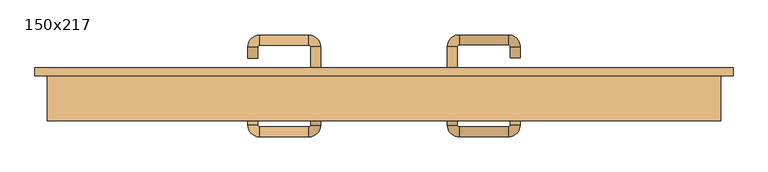
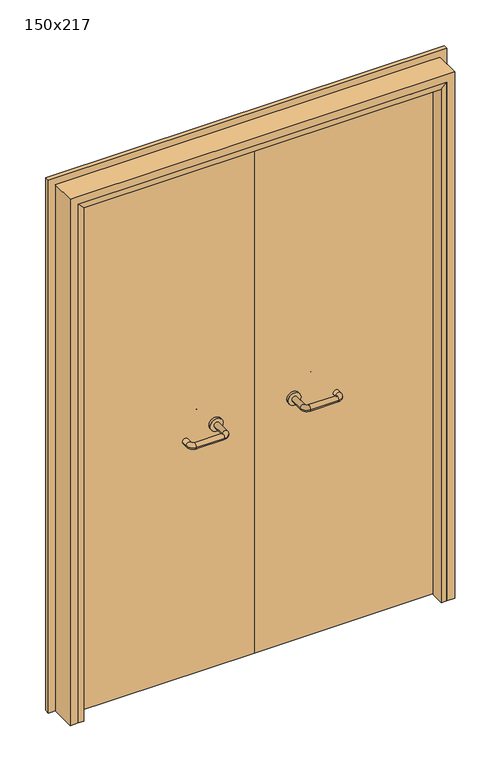
"""IFC4 building model written with IfcOpenShell, lengths in millimetres: door geometry, 150x217."""

from ifc_helpers import new_model, si_unit, point, frame, frame_2d, origin, place, context, project, spatial, polyline, circle_curve, ellipse_curve, trimmed, segment, composite_curve, outline, extrude, faceted_brep, source, transform, mapped, element, save
from ifc_brep_helpers import plane_surface, cylinder_surface, revolved_surface, advanced_brep


def door_150x217_e92d5b13(model_context):
    return source(origin(), model_context, "Body", "SolidModel", [
        faceted_brep([(-697.0, 103.0, 0.0), (-697.0, 50.0, 0.0), (-718.0, 50.0, 0.0), (-718.0, 103.0, 0.0), (-697.0, 103.0, 2117.0), (-697.0, 50.0, 2117.0), (-718.0, 50.0, 2138.0), (-718.0, 103.0, 2138.0), (697.0, 103.0, 0.0), (718.0, 103.0, 0.0), (718.0, 50.0, 0.0), (697.0, 50.0, 0.0), (697.0, 103.0, 2117.0), (718.0, 103.0, 2138.0), (718.0, 50.0, 2138.0), (697.0, 50.0, 2117.0)], [[[0, 1, 2, 3]], [[1, 0, 4, 5]], [[2, 1, 5, 6]], [[3, 2, 6, 7]], [[0, 3, 7, 4]], [[8, 9, 10, 11]], [[12, 13, 9, 8]], [[13, 14, 10, 9]], [[14, 15, 11, 10]], [[15, 12, 8, 11]], [[5, 4, 12, 15]], [[6, 5, 15, 14]], [[7, 6, 14, 13]], [[4, 7, 13, 12]]]),
        extrude(outline(polyline([(2197.0, 777.0), (2197.0, -777.0), (0.0, -777.0), (0.0, -733.0), (2153.0, -733.0), (2153.0, 733.0), (0.0, 733.0), (0.0, 777.0), (2197.0, 777.0)])), frame((0.0, 150.0, 0.0), z_axis=(0.0, 1.0, 0.0), x_axis=(0.0, 0.0, 1.0)), (0.0, 0.0, 1.0), 18.0),
        extrude(outline(polyline([(2170.0, -750.0), (0.0, -750.0), (0.0, -718.0), (2138.0, -718.0), (2138.0, 718.0), (0.0, 718.0), (0.0, 750.0), (2170.0, 750.0), (2170.0, -750.0)])), frame((0.0, 50.0, 0.0), z_axis=(0.0, 1.0, 0.0), x_axis=(0.0, 0.0, 1.0)), (0.0, 0.0, 1.0), 100.0),
        advanced_brep(
        [(140.99898, 96.0, 1003.0), (162.99898, 96.0, 1003.0), (140.99898, 40.6474631, 1003.0), (162.99898, 40.6474631, 1003.0), (166.99898, 36.6474631, 1003.0), (166.99898, 14.6474631, 1003.0), (276.99898, 14.6474631, 1003.0), (276.99898, 36.6474631, 1003.0), (280.99898, 40.6474631, 1003.0), (302.99898, 40.6474631, 1003.0), (302.99898, 58.0, 1003.0), (280.99898, 58.0, 1003.0)],
        [
            (0, 1, circle_curve(frame((151.99898, 96.0, 1003.0), z_axis=(0.0, 1.0, 0.0), x_axis=(1.0, 0.0, 0.0)), 11.0)),
            (1, 0, circle_curve(frame((151.99898, 96.0, 1003.0), z_axis=(0.0, 1.0, 0.0), x_axis=(1.0, 0.0, 0.0)), 11.0)),
            (0, 2),
            (2, 3, circle_curve(frame((151.99898, 40.6474631, 1003.0), z_axis=(0.0, 1.0, 0.0), x_axis=(1.0, 0.0, 0.0)), 11.0)),
            (3, 1),
            (3, 2, circle_curve(frame((151.99898, 40.6474631, 1003.0), z_axis=(0.0, 1.0, 0.0), x_axis=(1.0, 0.0, 0.0)), 11.0)),
            (4, 3, circle_curve(frame((166.99898, 40.6474631, 1003.0), z_axis=(0.0, 0.0, -1.0), x_axis=(-1.0, 0.0, 0.0)), 4.0)),
            (2, 5, circle_curve(frame((166.99898, 40.6474631, 1003.0), z_axis=(0.0, 0.0, 1.0), x_axis=(-1.0, 0.0, 0.0)), 26.0)),
            (5, 4, circle_curve(frame((166.99898, 25.6474631, 1003.0), z_axis=(-1.0, 0.0, 0.0), x_axis=(0.0, 1.0, 0.0)), 11.0)),
            (4, 5, circle_curve(frame((166.99898, 25.6474631, 1003.0), z_axis=(-1.0, 0.0, 0.0), x_axis=(0.0, 1.0, 0.0)), 11.0)),
            (5, 6),
            (6, 7, circle_curve(frame((276.99898, 25.6474631, 1003.0), z_axis=(-1.0, 0.0, 0.0), x_axis=(0.0, 1.0, 0.0)), 11.0)),
            (7, 4),
            (7, 6, circle_curve(frame((276.99898, 25.6474631, 1003.0), z_axis=(-1.0, 0.0, 0.0), x_axis=(0.0, 1.0, 0.0)), 11.0)),
            (8, 7, circle_curve(frame((276.99898, 40.6474631, 1003.0), z_axis=(0.0, 0.0, -1.0), x_axis=(0.0, -1.0, 0.0)), 4.0)),
            (6, 9, circle_curve(frame((276.99898, 40.6474631, 1003.0), z_axis=(0.0, 0.0, 1.0), x_axis=(0.0, -1.0, 0.0)), 26.0)),
            (9, 8, circle_curve(frame((291.99898, 40.6474631, 1003.0), z_axis=(0.0, -1.0, 0.0), x_axis=(-1.0, 0.0, 0.0)), 11.0)),
            (8, 9, circle_curve(frame((291.99898, 40.6474631, 1003.0), z_axis=(0.0, -1.0, 0.0), x_axis=(-1.0, 0.0, 0.0)), 11.0)),
            (10, 11, circle_curve(frame((291.99898, 58.0, 1003.0), z_axis=(0.0, 1.0, 0.0), x_axis=(-1.0, 0.0, 0.0)), 11.0)),
            (11, 10, circle_curve(frame((291.99898, 58.0, 1003.0), z_axis=(0.0, 1.0, 0.0), x_axis=(-1.0, 0.0, 0.0)), 11.0)),
            (9, 10),
            (11, 8),
        ],
        [
            plane_surface(frame((140.99898, 96.0, 1003.0), z_axis=(0.0, 1.0, 0.0), x_axis=(0.0, 0.0, -1.0))),
            cylinder_surface(frame((151.99898, 96.0, 1003.0), z_axis=(0.0, 1.0, 0.0), x_axis=(1.0, 0.0, 0.0)), 11.0),
            revolved_surface(trimmed(ellipse_curve(frame((151.99898, 40.6474631, 1003.0), z_axis=(0.0, 1.0, 0.0), x_axis=(1.0, 0.0, 0.0)), 11.0, 11.0), [point((140.99898, 40.6474631, 1003.0))], [point((162.99898, 40.6474631, 1003.0))], True, "CARTESIAN"), (166.99898, 40.6474631, 1003.0), (0.0, 0.0, 1.0)),
            revolved_surface(trimmed(ellipse_curve(frame((151.99898, 40.6474631, 1003.0), z_axis=(0.0, 1.0, 0.0), x_axis=(1.0, 0.0, 0.0)), 11.0, 11.0), [point((162.99898, 40.6474631, 1003.0))], [point((140.99898, 40.6474631, 1003.0))], True, "CARTESIAN"), (166.99898, 40.6474631, 1003.0), (0.0, 0.0, 1.0)),
            cylinder_surface(frame((166.99898, 25.6474631, 1003.0), z_axis=(-1.0, 0.0, 0.0), x_axis=(0.0, 1.0, 0.0)), 11.0),
            revolved_surface(trimmed(ellipse_curve(frame((276.99898, 25.6474631, 1003.0), z_axis=(-1.0, 0.0, 0.0), x_axis=(0.0, 1.0, 0.0)), 11.0, 11.0), [point((276.99898, 14.6474631, 1003.0))], [point((276.99898, 36.6474631, 1003.0))], True, "CARTESIAN"), (276.99898, 40.6474631, 1003.0), (0.0, 0.0, 1.0)),
            revolved_surface(trimmed(ellipse_curve(frame((276.99898, 25.6474631, 1003.0), z_axis=(-1.0, 0.0, 0.0), x_axis=(0.0, 1.0, 0.0)), 11.0, 11.0), [point((276.99898, 36.6474631, 1003.0))], [point((276.99898, 14.6474631, 1003.0))], True, "CARTESIAN"), (276.99898, 40.6474631, 1003.0), (0.0, 0.0, 1.0)),
            plane_surface(frame((280.99898, 58.0, 1003.0), z_axis=(0.0, 1.0, 0.0), x_axis=(0.0, 0.0, 1.0))),
            cylinder_surface(frame((291.99898, 40.6474631, 1003.0), z_axis=(0.0, -1.0, 0.0), x_axis=(-1.0, 0.0, 0.0)), 11.0),
        ],
        [
            (0, [[1, 2]]),
            (1, [[-1, 3, 4, 5]]),
            (1, [[-2, -5, 6, -3]]),
            (2, [[7, -4, 8, 9]]),
            (3, [[-8, -6, -7, 10]]),
            (4, [[-9, 11, 12, 13]]),
            (4, [[-10, -13, 14, -11]]),
            (5, [[15, -12, 16, 17]]),
            (6, [[-16, -14, -15, 18]]),
            (7, [[19, 20]]),
            (8, [[-17, 21, -20, 22]]),
            (8, [[-18, -22, -19, -21]]),
        ],
    ),
        extrude(outline(composite_curve([segment(trimmed(circle_curve(frame_2d((1003.0, 151.99898)), 25.0), [point((1003.0, 126.99898))], [point((1003.0, 176.99898))], False, "CARTESIAN"), True, "CONTINUOUS"), segment(trimmed(circle_curve(frame_2d((1003.0, 151.99898)), 25.0), [point((1003.0, 176.99898))], [point((1003.0, 126.99898))], False, "CARTESIAN"), True, "CONTINUOUS")], self_intersect=False)), frame((0.0, 96.0, 0.0), z_axis=(0.0, 1.0, 0.0), x_axis=(0.0, 0.0, 1.0)), (0.0, 0.0, 1.0), 10.0),
        advanced_brep(
        [(162.99898, 160.0, 1003.0), (140.99898, 160.0, 1003.0), (162.99898, 215.0, 1003.0), (140.99898, 215.0, 1003.0), (166.99898, 241.0, 1003.0), (166.99898, 219.0, 1003.0), (276.99898, 219.0, 1003.0), (276.99898, 241.0, 1003.0), (302.99898, 215.0, 1003.0), (280.99898, 215.0, 1003.0), (280.99898, 190.0, 1003.0), (302.99898, 190.0, 1003.0)],
        [
            (0, 1, circle_curve(frame((151.99898, 160.0, 1003.0), z_axis=(0.0, -1.0, 0.0), x_axis=(-1.0, 0.0, 0.0)), 11.0)),
            (1, 0, circle_curve(frame((151.99898, 160.0, 1003.0), z_axis=(0.0, -1.0, 0.0), x_axis=(-1.0, 0.0, 0.0)), 11.0)),
            (0, 2),
            (2, 3, circle_curve(frame((151.99898, 215.0, 1003.0), z_axis=(0.0, -1.0, 0.0), x_axis=(-1.0, 0.0, 0.0)), 11.0)),
            (3, 1),
            (3, 2, circle_curve(frame((151.99898, 215.0, 1003.0), z_axis=(0.0, -1.0, 0.0), x_axis=(-1.0, 0.0, 0.0)), 11.0)),
            (4, 3, circle_curve(frame((166.99898, 215.0, 1003.0), z_axis=(0.0, 0.0, 1.0), x_axis=(-1.0, 0.0, 0.0)), 26.0)),
            (2, 5, circle_curve(frame((166.99898, 215.0, 1003.0), z_axis=(0.0, 0.0, -1.0), x_axis=(-1.0, 0.0, 0.0)), 4.0)),
            (5, 4, circle_curve(frame((166.99898, 230.0, 1003.0), z_axis=(-1.0, 0.0, 0.0), x_axis=(0.0, 1.0, 0.0)), 11.0)),
            (4, 5, circle_curve(frame((166.99898, 230.0, 1003.0), z_axis=(-1.0, 0.0, 0.0), x_axis=(0.0, 1.0, 0.0)), 11.0)),
            (5, 6),
            (6, 7, circle_curve(frame((276.99898, 230.0, 1003.0), z_axis=(-1.0, 0.0, 0.0), x_axis=(0.0, 1.0, 0.0)), 11.0)),
            (7, 4),
            (7, 6, circle_curve(frame((276.99898, 230.0, 1003.0), z_axis=(-1.0, 0.0, 0.0), x_axis=(0.0, 1.0, 0.0)), 11.0)),
            (8, 7, circle_curve(frame((276.99898, 215.0, 1003.0), z_axis=(0.0, 0.0, 1.0), x_axis=(0.0, 1.0, 0.0)), 26.0)),
            (6, 9, circle_curve(frame((276.99898, 215.0, 1003.0), z_axis=(0.0, 0.0, -1.0), x_axis=(0.0, 1.0, 0.0)), 4.0)),
            (9, 8, circle_curve(frame((291.99898, 215.0, 1003.0), z_axis=(0.0, 1.0, 0.0), x_axis=(1.0, 0.0, 0.0)), 11.0)),
            (8, 9, circle_curve(frame((291.99898, 215.0, 1003.0), z_axis=(0.0, 1.0, 0.0), x_axis=(1.0, 0.0, 0.0)), 11.0)),
            (10, 11, circle_curve(frame((291.99898, 190.0, 1003.0), z_axis=(0.0, -1.0, 0.0), x_axis=(1.0, 0.0, 0.0)), 11.0)),
            (11, 10, circle_curve(frame((291.99898, 190.0, 1003.0), z_axis=(0.0, -1.0, 0.0), x_axis=(1.0, 0.0, 0.0)), 11.0)),
            (9, 10),
            (11, 8),
        ],
        [
            plane_surface(frame((140.99898, 160.0, 1003.0), z_axis=(0.0, -1.0, 0.0), x_axis=(0.0, 0.0, 1.0))),
            cylinder_surface(frame((151.99898, 160.0, 1003.0), z_axis=(0.0, -1.0, 0.0), x_axis=(-1.0, 0.0, 0.0)), 11.0),
            revolved_surface(trimmed(ellipse_curve(frame((151.99898, 215.0, 1003.0), z_axis=(0.0, -1.0, 0.0), x_axis=(-1.0, 0.0, 0.0)), 11.0, 11.0), [point((162.99898, 215.0, 1003.0))], [point((140.99898, 215.0, 1003.0))], True, "CARTESIAN"), (166.99898, 215.0, 1003.0), (0.0, 0.0, -1.0)),
            revolved_surface(trimmed(ellipse_curve(frame((151.99898, 215.0, 1003.0), z_axis=(0.0, -1.0, 0.0), x_axis=(-1.0, 0.0, 0.0)), 11.0, 11.0), [point((140.99898, 215.0, 1003.0))], [point((162.99898, 215.0, 1003.0))], True, "CARTESIAN"), (166.99898, 215.0, 1003.0), (0.0, 0.0, -1.0)),
            cylinder_surface(frame((166.99898, 230.0, 1003.0), z_axis=(-1.0, 0.0, 0.0), x_axis=(0.0, 1.0, 0.0)), 11.0),
            revolved_surface(trimmed(ellipse_curve(frame((276.99898, 230.0, 1003.0), z_axis=(-1.0, 0.0, 0.0), x_axis=(0.0, 1.0, 0.0)), 11.0, 11.0), [point((276.99898, 219.0, 1003.0))], [point((276.99898, 241.0, 1003.0))], True, "CARTESIAN"), (276.99898, 215.0, 1003.0), (0.0, 0.0, -1.0)),
            revolved_surface(trimmed(ellipse_curve(frame((276.99898, 230.0, 1003.0), z_axis=(-1.0, 0.0, 0.0), x_axis=(0.0, 1.0, 0.0)), 11.0, 11.0), [point((276.99898, 241.0, 1003.0))], [point((276.99898, 219.0, 1003.0))], True, "CARTESIAN"), (276.99898, 215.0, 1003.0), (0.0, 0.0, -1.0)),
            plane_surface(frame((280.99898, 190.0, 1003.0), z_axis=(0.0, -1.0, 0.0), x_axis=(0.0, 0.0, -1.0))),
            cylinder_surface(frame((291.99898, 215.0, 1003.0), z_axis=(0.0, 1.0, 0.0), x_axis=(1.0, 0.0, 0.0)), 11.0),
        ],
        [
            (0, [[1, 2]]),
            (1, [[-1, 3, 4, 5]]),
            (1, [[-2, -5, 6, -3]]),
            (2, [[7, -4, 8, 9]]),
            (3, [[-8, -6, -7, 10]]),
            (4, [[-9, 11, 12, 13]]),
            (4, [[-10, -13, 14, -11]]),
            (5, [[15, -12, 16, 17]]),
            (6, [[-16, -14, -15, 18]]),
            (7, [[19, 20]]),
            (8, [[-17, 21, -20, 22]]),
            (8, [[-18, -22, -19, -21]]),
        ],
    ),
        extrude(outline(composite_curve([segment(trimmed(circle_curve(frame_2d((1003.0, 151.99898)), 25.0), [point((1003.0, 176.99898))], [point((1003.0, 126.99898))], False, "CARTESIAN"), True, "CONTINUOUS"), segment(trimmed(circle_curve(frame_2d((1003.0, 151.99898)), 25.0), [point((1003.0, 126.99898))], [point((1003.0, 176.99898))], False, "CARTESIAN"), True, "CONTINUOUS")], self_intersect=False)), frame((0.0, 150.0, 0.0), z_axis=(0.0, 1.0, 0.0), x_axis=(0.0, 0.0, 1.0)), (0.0, 0.0, 1.0), 10.0),
        advanced_brep(
        [(-162.99898, 95.6886121, 1003.0), (-140.99898, 95.6886121, 1003.0), (-162.99898, 40.2779553, 1003.0), (-140.99898, 40.2779553, 1003.0), (-166.99898, 14.2779553, 1003.0), (-166.99898, 36.2779553, 1003.0), (-276.99898, 36.2779553, 1003.0), (-276.99898, 14.2779553, 1003.0), (-302.99898, 40.2779553, 1003.0), (-280.99898, 40.2779553, 1003.0), (-280.99898, 65.2779553, 1003.0), (-302.99898, 65.2779553, 1003.0)],
        [
            (0, 1, circle_curve(frame((-151.99898, 95.6886121, 1003.0), z_axis=(0.0, 1.0, 0.0), x_axis=(1.0, 0.0, 0.0)), 11.0)),
            (1, 0, circle_curve(frame((-151.99898, 95.6886121, 1003.0), z_axis=(0.0, 1.0, 0.0), x_axis=(1.0, 0.0, 0.0)), 11.0)),
            (0, 2),
            (2, 3, circle_curve(frame((-151.99898, 40.2779553, 1003.0), z_axis=(0.0, 1.0, 0.0), x_axis=(1.0, 0.0, 0.0)), 11.0)),
            (3, 1),
            (3, 2, circle_curve(frame((-151.99898, 40.2779553, 1003.0), z_axis=(0.0, 1.0, 0.0), x_axis=(1.0, 0.0, 0.0)), 11.0)),
            (4, 3, circle_curve(frame((-166.99898, 40.2779553, 1003.0), z_axis=(0.0, 0.0, 1.0), x_axis=(1.0, 0.0, 0.0)), 26.0)),
            (2, 5, circle_curve(frame((-166.99898, 40.2779553, 1003.0), z_axis=(0.0, 0.0, -1.0), x_axis=(1.0, 0.0, 0.0)), 4.0)),
            (5, 4, circle_curve(frame((-166.99898, 25.2779553, 1003.0), z_axis=(1.0, 0.0, 0.0), x_axis=(0.0, -1.0, 0.0)), 11.0)),
            (4, 5, circle_curve(frame((-166.99898, 25.2779553, 1003.0), z_axis=(1.0, 0.0, 0.0), x_axis=(0.0, -1.0, 0.0)), 11.0)),
            (5, 6),
            (6, 7, circle_curve(frame((-276.99898, 25.2779553, 1003.0), z_axis=(1.0, 0.0, 0.0), x_axis=(0.0, -1.0, 0.0)), 11.0)),
            (7, 4),
            (7, 6, circle_curve(frame((-276.99898, 25.2779553, 1003.0), z_axis=(1.0, 0.0, 0.0), x_axis=(0.0, -1.0, 0.0)), 11.0)),
            (8, 7, circle_curve(frame((-276.99898, 40.2779553, 1003.0), z_axis=(0.0, 0.0, 1.0), x_axis=(0.0, -1.0, 0.0)), 26.0)),
            (6, 9, circle_curve(frame((-276.99898, 40.2779553, 1003.0), z_axis=(0.0, 0.0, -1.0), x_axis=(0.0, -1.0, 0.0)), 4.0)),
            (9, 8, circle_curve(frame((-291.99898, 40.2779553, 1003.0), z_axis=(0.0, -1.0, 0.0), x_axis=(-1.0, 0.0, 0.0)), 11.0)),
            (8, 9, circle_curve(frame((-291.99898, 40.2779553, 1003.0), z_axis=(0.0, -1.0, 0.0), x_axis=(-1.0, 0.0, 0.0)), 11.0)),
            (10, 11, circle_curve(frame((-291.99898, 65.2779553, 1003.0), z_axis=(0.0, 1.0, 0.0), x_axis=(-1.0, 0.0, 0.0)), 11.0)),
            (11, 10, circle_curve(frame((-291.99898, 65.2779553, 1003.0), z_axis=(0.0, 1.0, 0.0), x_axis=(-1.0, 0.0, 0.0)), 11.0)),
            (9, 10),
            (11, 8),
        ],
        [
            plane_surface(frame((-162.99898, 95.6886121, 1003.0), z_axis=(0.0, 1.0, 0.0), x_axis=(0.0, 0.0, -1.0))),
            cylinder_surface(frame((-151.99898, 95.6886121, 1003.0), z_axis=(0.0, 1.0, 0.0), x_axis=(1.0, 0.0, 0.0)), 11.0),
            revolved_surface(trimmed(ellipse_curve(frame((-151.99898, 40.2779553, 1003.0), z_axis=(0.0, 1.0, 0.0), x_axis=(1.0, 0.0, 0.0)), 11.0, 11.0), [point((-162.99898, 40.2779553, 1003.0))], [point((-140.99898, 40.2779553, 1003.0))], True, "CARTESIAN"), (-166.99898, 40.2779553, 1003.0), (0.0, 0.0, -1.0)),
            revolved_surface(trimmed(ellipse_curve(frame((-151.99898, 40.2779553, 1003.0), z_axis=(0.0, 1.0, 0.0), x_axis=(1.0, 0.0, 0.0)), 11.0, 11.0), [point((-140.99898, 40.2779553, 1003.0))], [point((-162.99898, 40.2779553, 1003.0))], True, "CARTESIAN"), (-166.99898, 40.2779553, 1003.0), (0.0, 0.0, -1.0)),
            cylinder_surface(frame((-166.99898, 25.2779553, 1003.0), z_axis=(1.0, 0.0, 0.0), x_axis=(0.0, -1.0, 0.0)), 11.0),
            revolved_surface(trimmed(ellipse_curve(frame((-276.99898, 25.2779553, 1003.0), z_axis=(1.0, 0.0, 0.0), x_axis=(0.0, -1.0, 0.0)), 11.0, 11.0), [point((-276.99898, 36.2779553, 1003.0))], [point((-276.99898, 14.2779553, 1003.0))], True, "CARTESIAN"), (-276.99898, 40.2779553, 1003.0), (0.0, 0.0, -1.0)),
            revolved_surface(trimmed(ellipse_curve(frame((-276.99898, 25.2779553, 1003.0), z_axis=(1.0, 0.0, 0.0), x_axis=(0.0, -1.0, 0.0)), 11.0, 11.0), [point((-276.99898, 14.2779553, 1003.0))], [point((-276.99898, 36.2779553, 1003.0))], True, "CARTESIAN"), (-276.99898, 40.2779553, 1003.0), (0.0, 0.0, -1.0)),
            plane_surface(frame((-302.99898, 65.2779553, 1003.0), z_axis=(0.0, 1.0, 0.0), x_axis=(0.0, 0.0, 1.0))),
            cylinder_surface(frame((-291.99898, 40.2779553, 1003.0), z_axis=(0.0, -1.0, 0.0), x_axis=(-1.0, 0.0, 0.0)), 11.0),
        ],
        [
            (0, [[1, 2]]),
            (1, [[-1, 3, 4, 5]]),
            (1, [[-2, -5, 6, -3]]),
            (2, [[7, -4, 8, 9]]),
            (3, [[-8, -6, -7, 10]]),
            (4, [[-9, 11, 12, 13]]),
            (4, [[-10, -13, 14, -11]]),
            (5, [[15, -12, 16, 17]]),
            (6, [[-16, -14, -15, 18]]),
            (7, [[19, 20]]),
            (8, [[-17, 21, -20, 22]]),
            (8, [[-18, -22, -19, -21]]),
        ],
    ),
        extrude(outline(composite_curve([segment(trimmed(circle_curve(frame_2d((1003.0, -151.99898)), 25.0), [point((1003.0, -176.99898))], [point((1003.0, -126.99898))], False, "CARTESIAN"), True, "CONTINUOUS"), segment(trimmed(circle_curve(frame_2d((1003.0, -151.99898)), 25.0), [point((1003.0, -126.99898))], [point((1003.0, -176.99898))], False, "CARTESIAN"), True, "CONTINUOUS")], self_intersect=False)), frame((0.0, 95.6886121, 0.0), z_axis=(0.0, 1.0, 0.0), x_axis=(0.0, 0.0, 1.0)), (0.0, 0.0, 1.0), 10.3113879),
        advanced_brep(
        [(-140.99898, 159.5143417, 1003.0), (-162.99898, 159.5143417, 1003.0), (-140.99898, 214.6104656, 1003.0), (-162.99898, 214.6104656, 1003.0), (-166.99898, 218.6104656, 1003.0), (-166.99898, 240.6104656, 1003.0), (-276.99898, 240.6104656, 1003.0), (-276.99898, 218.6104656, 1003.0), (-280.99898, 214.6104656, 1003.0), (-302.99898, 214.6104656, 1003.0), (-302.99898, 189.6104656, 1003.0), (-280.99898, 189.6104656, 1003.0)],
        [
            (0, 1, circle_curve(frame((-151.99898, 159.5143417, 1003.0), z_axis=(0.0, -1.0, 0.0), x_axis=(-1.0, 0.0, 0.0)), 11.0)),
            (1, 0, circle_curve(frame((-151.99898, 159.5143417, 1003.0), z_axis=(0.0, -1.0, 0.0), x_axis=(-1.0, 0.0, 0.0)), 11.0)),
            (0, 2),
            (2, 3, circle_curve(frame((-151.99898, 214.6104656, 1003.0), z_axis=(0.0, -1.0, 0.0), x_axis=(-1.0, 0.0, 0.0)), 11.0)),
            (3, 1),
            (3, 2, circle_curve(frame((-151.99898, 214.6104656, 1003.0), z_axis=(0.0, -1.0, 0.0), x_axis=(-1.0, 0.0, 0.0)), 11.0)),
            (4, 3, circle_curve(frame((-166.99898, 214.6104656, 1003.0), z_axis=(0.0, 0.0, -1.0), x_axis=(1.0, 0.0, 0.0)), 4.0)),
            (2, 5, circle_curve(frame((-166.99898, 214.6104656, 1003.0), z_axis=(0.0, 0.0, 1.0), x_axis=(1.0, 0.0, 0.0)), 26.0)),
            (5, 4, circle_curve(frame((-166.99898, 229.6104656, 1003.0), z_axis=(1.0, 0.0, 0.0), x_axis=(0.0, -1.0, 0.0)), 11.0)),
            (4, 5, circle_curve(frame((-166.99898, 229.6104656, 1003.0), z_axis=(1.0, 0.0, 0.0), x_axis=(0.0, -1.0, 0.0)), 11.0)),
            (5, 6),
            (6, 7, circle_curve(frame((-276.99898, 229.6104656, 1003.0), z_axis=(1.0, 0.0, 0.0), x_axis=(0.0, -1.0, 0.0)), 11.0)),
            (7, 4),
            (7, 6, circle_curve(frame((-276.99898, 229.6104656, 1003.0), z_axis=(1.0, 0.0, 0.0), x_axis=(0.0, -1.0, 0.0)), 11.0)),
            (8, 7, circle_curve(frame((-276.99898, 214.6104656, 1003.0), z_axis=(0.0, 0.0, -1.0), x_axis=(0.0, 1.0, 0.0)), 4.0)),
            (6, 9, circle_curve(frame((-276.99898, 214.6104656, 1003.0), z_axis=(0.0, 0.0, 1.0), x_axis=(0.0, 1.0, 0.0)), 26.0)),
            (9, 8, circle_curve(frame((-291.99898, 214.6104656, 1003.0), z_axis=(0.0, 1.0, 0.0), x_axis=(1.0, 0.0, 0.0)), 11.0)),
            (8, 9, circle_curve(frame((-291.99898, 214.6104656, 1003.0), z_axis=(0.0, 1.0, 0.0), x_axis=(1.0, 0.0, 0.0)), 11.0)),
            (10, 11, circle_curve(frame((-291.99898, 189.6104656, 1003.0), z_axis=(0.0, -1.0, 0.0), x_axis=(1.0, 0.0, 0.0)), 11.0)),
            (11, 10, circle_curve(frame((-291.99898, 189.6104656, 1003.0), z_axis=(0.0, -1.0, 0.0), x_axis=(1.0, 0.0, 0.0)), 11.0)),
            (9, 10),
            (11, 8),
        ],
        [
            plane_surface(frame((-162.99898, 159.5143417, 1003.0), z_axis=(0.0, -1.0, 0.0), x_axis=(0.0, 0.0, 1.0))),
            cylinder_surface(frame((-151.99898, 159.5143417, 1003.0), z_axis=(0.0, -1.0, 0.0), x_axis=(-1.0, 0.0, 0.0)), 11.0),
            revolved_surface(trimmed(ellipse_curve(frame((-151.99898, 214.6104656, 1003.0), z_axis=(0.0, -1.0, 0.0), x_axis=(-1.0, 0.0, 0.0)), 11.0, 11.0), [point((-140.99898, 214.6104656, 1003.0))], [point((-162.99898, 214.6104656, 1003.0))], True, "CARTESIAN"), (-166.99898, 214.6104656, 1003.0), (0.0, 0.0, 1.0)),
            revolved_surface(trimmed(ellipse_curve(frame((-151.99898, 214.6104656, 1003.0), z_axis=(0.0, -1.0, 0.0), x_axis=(-1.0, 0.0, 0.0)), 11.0, 11.0), [point((-162.99898, 214.6104656, 1003.0))], [point((-140.99898, 214.6104656, 1003.0))], True, "CARTESIAN"), (-166.99898, 214.6104656, 1003.0), (0.0, 0.0, 1.0)),
            cylinder_surface(frame((-166.99898, 229.6104656, 1003.0), z_axis=(1.0, 0.0, 0.0), x_axis=(0.0, -1.0, 0.0)), 11.0),
            revolved_surface(trimmed(ellipse_curve(frame((-276.99898, 229.6104656, 1003.0), z_axis=(1.0, 0.0, 0.0), x_axis=(0.0, -1.0, 0.0)), 11.0, 11.0), [point((-276.99898, 240.6104656, 1003.0))], [point((-276.99898, 218.6104656, 1003.0))], True, "CARTESIAN"), (-276.99898, 214.6104656, 1003.0), (0.0, 0.0, 1.0)),
            revolved_surface(trimmed(ellipse_curve(frame((-276.99898, 229.6104656, 1003.0), z_axis=(1.0, 0.0, 0.0), x_axis=(0.0, -1.0, 0.0)), 11.0, 11.0), [point((-276.99898, 218.6104656, 1003.0))], [point((-276.99898, 240.6104656, 1003.0))], True, "CARTESIAN"), (-276.99898, 214.6104656, 1003.0), (0.0, 0.0, 1.0)),
            plane_surface(frame((-302.99898, 189.6104656, 1003.0), z_axis=(0.0, -1.0, 0.0), x_axis=(0.0, 0.0, -1.0))),
            cylinder_surface(frame((-291.99898, 214.6104656, 1003.0), z_axis=(0.0, 1.0, 0.0), x_axis=(1.0, 0.0, 0.0)), 11.0),
        ],
        [
            (0, [[1, 2]]),
            (1, [[-1, 3, 4, 5]]),
            (1, [[-2, -5, 6, -3]]),
            (2, [[7, -4, 8, 9]]),
            (3, [[-8, -6, -7, 10]]),
            (4, [[-9, 11, 12, 13]]),
            (4, [[-10, -13, 14, -11]]),
            (5, [[15, -12, 16, 17]]),
            (6, [[-16, -14, -15, 18]]),
            (7, [[19, 20]]),
            (8, [[-17, 21, -20, 22]]),
            (8, [[-18, -22, -19, -21]]),
        ],
    ),
        extrude(outline(composite_curve([segment(trimmed(circle_curve(frame_2d((1003.0, -151.99898)), 25.0), [point((1003.0, -126.99898))], [point((1003.0, -176.99898))], False, "CARTESIAN"), True, "CONTINUOUS"), segment(trimmed(circle_curve(frame_2d((1003.0, -151.99898)), 25.0), [point((1003.0, -176.99898))], [point((1003.0, -126.99898))], False, "CARTESIAN"), True, "CONTINUOUS")], self_intersect=False)), frame((0.0, 150.0, 0.0), z_axis=(0.0, 1.0, 0.0), x_axis=(0.0, 0.0, 1.0)), (0.0, 0.0, 1.0), 9.5143417),
        extrude(outline(polyline([(1.0739506, 106.0), (-715.0, 106.0), (-715.0, 150.0), (1.0739506, 150.0), (1.0739506, 106.0)])), frame((0.0, 0.0, 1.753223), z_axis=(0.0, 0.0, 1.0), x_axis=(1.0, 0.0, 0.0)), (0.0, 0.0, 1.0), 2136.246777),
        extrude(outline(polyline([(715.0, 106.0), (1.0739506, 106.0), (1.0739506, 150.0), (715.0, 150.0), (715.0, 106.0)])), frame((0.0, 0.0, 1.753223), z_axis=(0.0, 0.0, 1.0), x_axis=(1.0, 0.0, 0.0)), (0.0, 0.0, 1.0), 2136.246777),
    ])


if __name__ == "__main__":
    model = new_model("IFC4")
    model_context = context("Model", 3, world=origin())
    ifc_project = project(units=[si_unit("LENGTHUNIT", "METRE", prefix="MILLI")], contexts=[model_context])
    site = spatial("IfcSite", under=ifc_project)
    building = spatial("IfcBuilding", under=site)
    placement = place(None, origin())
    door_150x217_shape = door_150x217_e92d5b13(model_context)
    element("IfcDoor", 1, ObjectType="150x217", at=placement, inside=building, context=model_context, shape_type="MappedRepresentation", body=[
        mapped(door_150x217_shape, transform((0.0, 0.0, 0.0), x_axis=(1.0, 0.0, 0.0), y_axis=(0.0, 1.0, 0.0), z_axis=(0.0, 0.0, 1.0))),
    ])
    save(model, "model.ifc")
